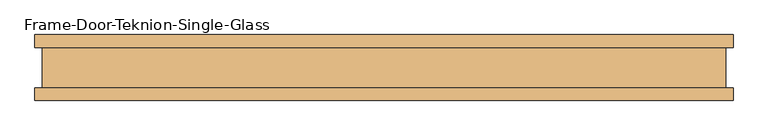
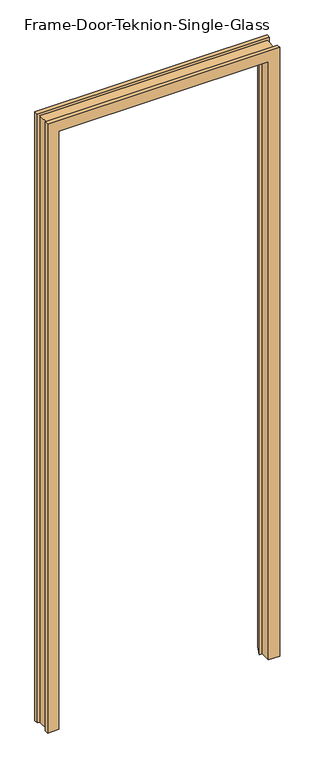
"""IFC4 building model written with IfcOpenShell, lengths in millimetres: door geometry, Frame-Door-Teknion-Single-Glass."""

import ifcopenshell
import ifcopenshell.guid

model = None  # the IFC model being written
_history = None  # IfcOwnerHistory: only IFC2X3 demands one
_inside = {}  # id of a spatial element -> (the spatial element, [elements in it])
_under = {}  # id of a project, library or spatial element -> (it, [spatial elements below it])
_declared = {}  # id of a project -> (the project, [libraries it declares])
_typed = {}  # id of a type object -> (the type object, [elements of that type])
_made_of = {}  # id of a material, layer set ... -> (it, [elements and type objects made of it])


def new_model(schema):
    """Start an empty IFC model of exactly this schema.

    Asked for "IFC4X3", IfcOpenShell would pick the latest addendum, in which some entities
    have other attributes; the version numbers below select the first issue.
    IFC2X3 requires an IfcOwnerHistory on every rooted entity: one is made here for all.
    """
    global model, _history
    if schema == "IFC4X3":
        model = ifcopenshell.file(schema_version=(4, 3, 0, 0))
    else:
        model = ifcopenshell.file(schema=schema)
    _inside.clear()
    _under.clear()
    _declared.clear()
    _typed.clear()
    _made_of.clear()
    _history = None
    if model.schema == "IFC2X3":
        org = make("IfcOrganization", Name="unknown")
        user = make(
            "IfcPersonAndOrganization",
            ThePerson=make("IfcPerson", FamilyName="unknown"),
            TheOrganization=org,
        )
        app = make(
            "IfcApplication",
            ApplicationDeveloper=org,
            Version="unknown",
            ApplicationFullName="unknown",
            ApplicationIdentifier="unknown",
        )
        _history = make(
            "IfcOwnerHistory",
            OwningUser=user,
            OwningApplication=app,
            ChangeAction="ADDED",
            CreationDate=0,
        )
    return model


def make(cls, **values):
    """One entity of the class cls with the attributes given. An attribute that is None is left unset."""
    return model.create_entity(
        cls, **{name: value for name, value in values.items() if value is not None}
    )


def rooted(cls, **values):
    """An entity with a GlobalId (a new one), such as an element, a storey or a relation."""
    return make(cls, GlobalId=ifcopenshell.guid.new(), OwnerHistory=_history, **values)


def si_unit(unit_type, name, prefix=None):
    """IfcSIUnit, for example si_unit("LENGTHUNIT", "METRE", prefix="MILLI")."""
    return make("IfcSIUnit", UnitType=unit_type, Prefix=prefix, Name=name)


def assignment(units):
    """IfcUnitAssignment: the units of a project."""
    return None if units is None else make("IfcUnitAssignment", Units=units)


def point(xyz):
    """IfcCartesianPoint."""
    return None if xyz is None else make("IfcCartesianPoint", Coordinates=xyz)


def direction(xyz):
    """IfcDirection."""
    return None if xyz is None else make("IfcDirection", DirectionRatios=xyz)


def frame(location, z_axis=None, x_axis=None):
    """IfcAxis2Placement3D, a coordinate frame: its origin and axes. An axis left out is left unset."""
    return make(
        "IfcAxis2Placement3D",
        Location=point(location),
        Axis=direction(z_axis),
        RefDirection=direction(x_axis),
    )


def origin():
    """The frame at (0, 0, 0) with its axes left unset."""
    return frame((0.0, 0.0, 0.0))


def place(relative_to, where):
    """IfcLocalPlacement: puts the frame where relative to a parent placement (None: the world)."""
    return make(
        "IfcLocalPlacement", PlacementRelTo=relative_to, RelativePlacement=where
    )


def context(
    kind, dimensions, precision=None, world=None, true_north=None, identifier=None
):
    """IfcGeometricRepresentationContext, for example the 3D "Model" context."""
    return make(
        "IfcGeometricRepresentationContext",
        ContextIdentifier=identifier,
        ContextType=kind,
        CoordinateSpaceDimension=dimensions,
        Precision=precision,
        WorldCoordinateSystem=world,
        TrueNorth=true_north,
    )


def project(units=None, contexts=None):
    """IfcProject with its units and contexts."""
    return rooted(
        "IfcProject",
        Name="project",
        RepresentationContexts=contexts,
        UnitsInContext=assignment(units),
    )


def spatial(cls, under=None, at=None, **own):
    """A site, building, storey or space (cls), placed at a placement, below another one or the project."""
    s = rooted(cls, ObjectPlacement=at, **own)
    if under is not None:
        _under.setdefault(under.id(), (under, []))[1].append(s)
    return s


def faces_of(points, faces, orient=None, outer=None):
    """IfcFace entities. A face is a list of loops; a loop is a list of indices into points, from 0.

    orient and outer hold one flag for each loop. By default every Orientation is true, the
    first loop of a face is its IfcFaceOuterBound and the others are IfcFaceBound.
    """
    made = []
    for i, loops in enumerate(faces):
        bounds = []
        for j, loop in enumerate(loops):
            is_outer = j == 0 if outer is None else outer[i][j]
            bounds.append(
                make(
                    "IfcFaceOuterBound" if is_outer else "IfcFaceBound",
                    Bound=make("IfcPolyLoop", Polygon=[points[k] for k in loop]),
                    Orientation=True if orient is None else orient[i][j],
                )
            )
        made.append(make("IfcFace", Bounds=bounds))
    return made


def faceted_brep(points, faces, orient=None, outer=None, voids=None):
    """IfcFacetedBrep: a solid bounded by flat faces; with voids (closed shells), ...WithVoids."""
    shared = [point(p) for p in points]
    hull = make("IfcClosedShell", CfsFaces=faces_of(shared, faces, orient, outer))
    if voids is None:
        return make("IfcFacetedBrep", Outer=hull)
    return make(
        "IfcFacetedBrepWithVoids",
        Outer=hull,
        Voids=[
            make(cls, CfsFaces=faces_of(shared, fs, o, b)) for cls, fs, o, b in voids
        ],
    )


def shape(context_of_items, identifier, shape_type, items):
    """IfcShapeRepresentation: the items that make up one representation, for example the "Body"."""
    return make(
        "IfcShapeRepresentation",
        ContextOfItems=context_of_items,
        RepresentationIdentifier=identifier,
        RepresentationType=shape_type,
        Items=items,
    )


def source(mapping_origin, context_of_items, identifier, shape_type, items):
    """IfcRepresentationMap: a shape defined once, which mapped items show again and again."""
    return make(
        "IfcRepresentationMap",
        MappingOrigin=mapping_origin,
        MappedRepresentation=shape(context_of_items, identifier, shape_type, items),
    )


def transform(
    local_origin,
    x_axis=None,
    y_axis=None,
    z_axis=None,
    scale=None,
    scale2=None,
    scale3=None,
    uniform=True,
):
    """IfcCartesianTransformationOperator3D, or its non-uniform kind. x_axis, y_axis, z_axis: its Axis1, 2, 3."""
    if uniform:
        return make(
            "IfcCartesianTransformationOperator3D",
            Axis1=direction(x_axis),
            Axis2=direction(y_axis),
            LocalOrigin=point(local_origin),
            Scale=scale,
            Axis3=direction(z_axis),
        )
    return make(
        "IfcCartesianTransformationOperator3DnonUniform",
        Axis1=direction(x_axis),
        Axis2=direction(y_axis),
        LocalOrigin=point(local_origin),
        Scale=scale,
        Axis3=direction(z_axis),
        Scale2=scale2,
        Scale3=scale3,
    )


def mapped(mapping_source, mapping_target):
    """IfcMappedItem: shows the shape of a source again, moved by a transform."""
    return make(
        "IfcMappedItem", MappingSource=mapping_source, MappingTarget=mapping_target
    )


def made_of(thing, what):
    """Note that an element or type object is made of a material, layer set ...; save() writes the relation."""
    if what is not None:
        _made_of.setdefault(what.id(), (what, []))[1].append(thing)
    return thing


def element(
    cls,
    number,
    at=None,
    inside=None,
    cuts=None,
    type_object=None,
    material=None,
    context=None,
    identifier="Body",
    shape_type=None,
    held_by="IfcProductDefinitionShape",
    body=None,
    shapes=None,
    **own,
):
    """One element of the class cls, such as IfcWall. Its Tag is "e" and its number.

    at: its placement. inside: the storey or other place that contains it. cuts: it is an
    opening in that element (IfcRelVoidsElement). A single representation is given by context,
    identifier, shape_type and body (its items); several are given by shapes. held_by: the class
    of the entity that holds the representations. save() writes the other relations.
    """
    e = rooted(cls, Tag="e%d" % number, ObjectPlacement=at, **own)
    if body is not None:
        shapes = [shape(context, identifier, shape_type, body)]
    if shapes is not None:
        e.Representation = make(held_by, Representations=shapes)
    if inside is not None:
        _inside.setdefault(inside.id(), (inside, []))[1].append(e)
    if cuts is not None:
        rooted(
            "IfcRelVoidsElement", RelatingBuildingElement=cuts, RelatedOpeningElement=e
        )
    if type_object is not None:
        _typed.setdefault(type_object.id(), (type_object, []))[1].append(e)
    return made_of(e, material)


def aggregate(whole, parts):
    """IfcRelAggregates: a whole, such as a stair, and the parts it consists of."""
    return rooted("IfcRelAggregates", RelatingObject=whole, RelatedObjects=parts)


def save(model, path):
    """Write the relations noted so far, then the file.

    IfcRelAggregates (storeys below a building ...), IfcRelContainedInSpatialStructure (elements
    in a storey), IfcRelDefinesByType, IfcRelAssociatesMaterial and IfcRelDeclares: one each for
    every whole, place, type object, material and project.
    """
    for whole, parts in _under.values():
        aggregate(whole, parts)
    for where, things in _inside.values():
        rooted(
            "IfcRelContainedInSpatialStructure",
            RelatedElements=things,
            RelatingStructure=where,
        )
    for kind, things in _typed.values():
        rooted("IfcRelDefinesByType", RelatedObjects=things, RelatingType=kind)
    for what, things in _made_of.values():
        rooted("IfcRelAssociatesMaterial", RelatedObjects=things, RelatingMaterial=what)
    for by, libraries in _declared.values():
        rooted("IfcRelDeclares", RelatingContext=by, RelatedDefinitions=libraries)
    model.write(path)


def frame_door_teknion_single_glass_8f8bf091(model_context):
    return source(origin(), model_context, "Body", "Brep", [
        faceted_brep([(-478.9807565, -50.0254003, 0.0), (-530.4157565, -50.0254003, 0.0), (-530.4157565, -30.7594, 0.0), (-519.4101562, -30.7594, 0.0), (-519.4101562, 30.7594, 0.0), (-530.4157565, 30.7594, 0.0), (-530.4157565, 50.0254003, 0.0), (-488.5054518, 50.0254003, 0.0), (-466.0583342, -0.7133435, 0.0), (-478.9807565, -0.7133435, 0.0), (-478.9807565, -0.7133435, 2889.885), (-478.9807565, -50.0254003, 2889.885), (-466.0583342, -0.7133435, 2876.9625776), (466.0583342, -0.7133435, 2876.9625776), (466.0583342, -0.7133435, 0.0), (478.9807565, -0.7133435, 0.0), (478.9807565, -0.7133435, 2889.885), (-488.5054518, 50.0254003, 2899.4096953), (-530.4157565, 50.0254003, 2941.32), (530.4157565, 50.0254003, 2941.32), (530.4157565, 50.0254003, 0.0), (488.5054518, 50.0254003, 0.0), (488.5054518, 50.0254003, 2899.4096953), (-530.4157565, 30.7594, 2941.32), (-519.4101562, 30.7594, 2930.3143997), (519.4101563, 30.7594, 2930.3143997), (519.4101563, 30.7594, 0.0), (530.4157565, 30.7594, 0.0), (530.4157565, 30.7594, 2941.32), (-519.4101562, -30.7594, 2930.3143997), (-530.4157565, -30.7594, 2941.32), (530.4157565, -30.7594, 2941.32), (530.4157565, -30.7594, 0.0), (519.4101563, -30.7594, 0.0), (519.4101563, -30.7594, 2930.3143997), (-530.4157565, -50.0254003, 2941.32), (478.9807565, -50.0254003, 2889.885), (478.9807565, -50.0254003, 0.0), (530.4157565, -50.0254003, 0.0), (530.4157565, -50.0254003, 2941.32)], [[[0, 1, 2, 3, 4, 5, 6, 7, 8, 9]], [[9, 10, 11, 0]], [[8, 12, 13, 14, 15, 16, 10, 9]], [[7, 17, 12, 8]], [[6, 18, 19, 20, 21, 22, 17, 7]], [[5, 23, 18, 6]], [[4, 24, 25, 26, 27, 28, 23, 5]], [[3, 29, 24, 4]], [[2, 30, 31, 32, 33, 34, 29, 3]], [[1, 35, 30, 2]], [[0, 11, 36, 37, 38, 39, 35, 1]], [[37, 15, 14, 21, 20, 27, 26, 33, 32, 38]], [[16, 15, 37, 36]], [[22, 21, 14, 13]], [[28, 27, 20, 19]], [[34, 33, 26, 25]], [[39, 38, 32, 31]], [[10, 16, 36, 11]], [[17, 22, 13, 12]], [[23, 28, 19, 18]], [[29, 34, 25, 24]], [[35, 39, 31, 30]]]),
    ])


if __name__ == "__main__":
    model = new_model("IFC4")
    model_context = context("Model", 3, world=origin())
    ifc_project = project(units=[si_unit("LENGTHUNIT", "METRE", prefix="MILLI")], contexts=[model_context])
    site = spatial("IfcSite", under=ifc_project)
    building = spatial("IfcBuilding", under=site)
    placement = place(None, origin())
    frame_door_teknion_single_glass_shape = frame_door_teknion_single_glass_8f8bf091(model_context)
    element("IfcDoor", 1, ObjectType="Frame-Door-Teknion-Single-Glass", at=placement, inside=building, context=model_context, shape_type="MappedRepresentation", body=[
        mapped(frame_door_teknion_single_glass_shape, transform((0.0, 0.0, 0.0), x_axis=(1.0, 0.0, 0.0), y_axis=(0.0, 1.0, 0.0), z_axis=(0.0, 0.0, 1.0))),
    ])
    save(model, "model.ifc")
